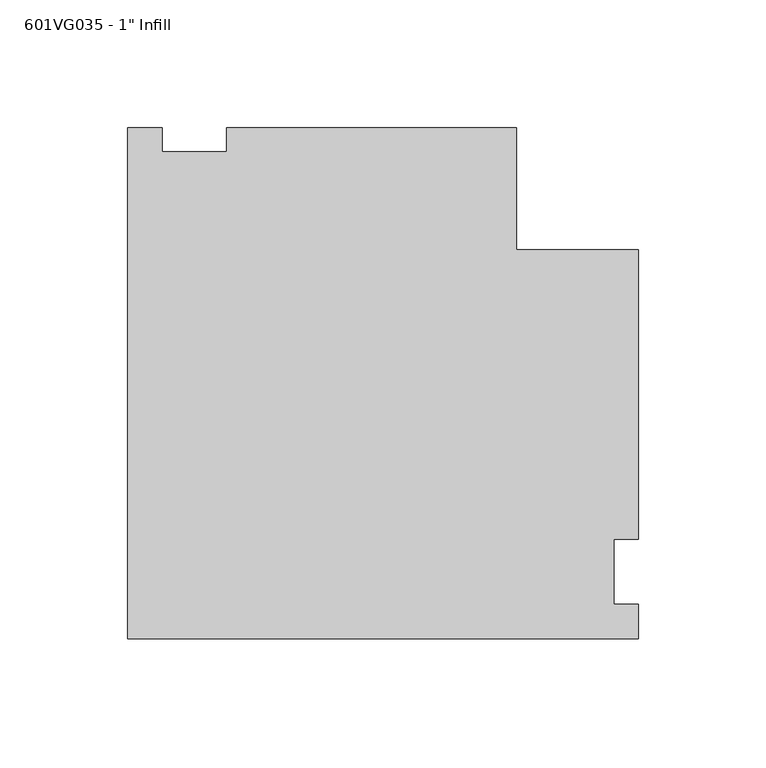
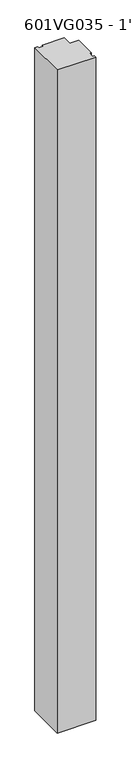
"""IFC4 building model written with IfcOpenShell, lengths in millimetres: proxy geometry."""

from ifc_helpers import new_model, si_unit, frame, origin, place, context, project, spatial, polyline, outline, extrude, source, transform, mapped, element, save


def proxy_111e4418(model_context):
    return source(origin(), model_context, "Body", "SweptSolid", [
        extrude(outline(polyline([(-26.19375, 173.98365), (-12.7, 173.98365), (-12.7, 164.45865), (12.7, 164.45865), (12.7, 173.98365), (126.20625, 173.98365), (126.20625, 126.20625), (173.983587, 126.20625), (173.983587, 12.7), (164.458587, 12.7), (164.458587, -12.7), (173.983587, -12.7), (173.983587, -26.19375), (-26.19375, -26.19375), (-26.19375, 173.98365)])), frame((0.0, 0.0, 12.7), z_axis=(0.0, 0.0, 1.0), x_axis=(1.0, 0.0, 0.0)), (0.0, 0.0, 1.0), 3644.9),
    ])


if __name__ == "__main__":
    model = new_model("IFC4")
    model_context = context("Model", 3, world=origin())
    ifc_project = project(units=[si_unit("LENGTHUNIT", "METRE", prefix="MILLI")], contexts=[model_context])
    site = spatial("IfcSite", under=ifc_project)
    building = spatial("IfcBuilding", under=site)
    placement = place(None, origin())
    proxy_shape = proxy_111e4418(model_context)
    element("IfcBuildingElementProxy", 1, Name="601VG035 - 1\" Infill", ObjectType="601VG035 - 1\" Infill", at=placement, inside=building, context=model_context, shape_type="MappedRepresentation", body=[
        mapped(proxy_shape, transform((0.0, 0.0, 0.0), x_axis=(1.0, 0.0, 0.0), y_axis=(0.0, 1.0, 0.0), z_axis=(0.0, 0.0, 1.0))),
    ])
    save(model, "model.ifc")
